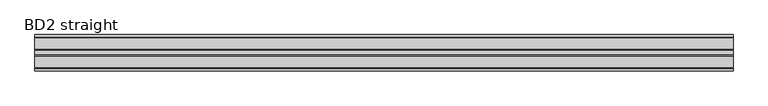
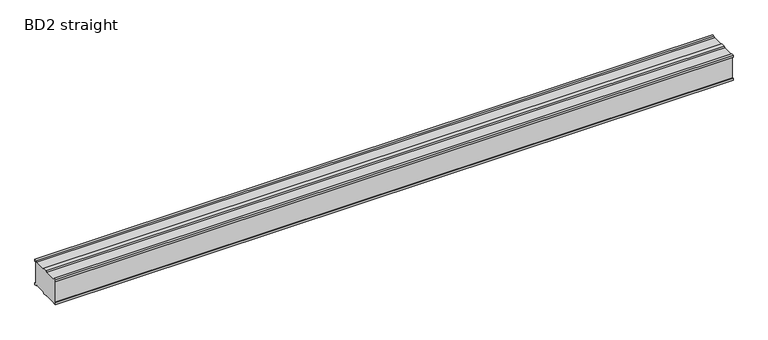
"""IFC4 building model written with IfcOpenShell, lengths in millimetres: proxy geometry, BD2 straight."""

from ifc_helpers import new_model, si_unit, frame, origin, place, context, project, spatial, polyline, outline, extrude, source, transform, mapped, element, save


def bd2_straight_57d4ccee(model_context):
    return source(origin(), model_context, "Body", "SweptSolid", [
        extrude(outline(polyline([(162.0, 116.0), (162.0, 10.0), (167.0, 10.0), (167.0, 0.0), (157.0, 0.0), (152.0, 5.0), (98.5, 5.0), (93.5, 0.0), (73.5, 0.0), (68.5, 5.0), (15.0, 5.0), (10.0, 0.0), (0.0, 0.0), (0.0, 10.0), (5.0, 10.0), (5.0, 116.0), (0.0, 116.0), (0.0, 126.0), (10.0, 126.0), (15.0, 121.0), (68.5, 121.0), (73.5, 126.0), (93.5, 126.0), (98.5, 121.0), (152.0, 121.0), (157.0, 126.0), (167.0, 126.0), (167.0, 116.0), (162.0, 116.0)])), frame((0.0, 0.0, 0.0), z_axis=(1.0, 0.0, 0.0), x_axis=(0.0, 1.0, 0.0)), (0.0, 0.0, 1.0), 3200.0),
    ])


if __name__ == "__main__":
    model = new_model("IFC4")
    model_context = context("Model", 3, world=origin())
    ifc_project = project(units=[si_unit("LENGTHUNIT", "METRE", prefix="MILLI")], contexts=[model_context])
    site = spatial("IfcSite", under=ifc_project)
    building = spatial("IfcBuilding", under=site)
    placement = place(None, origin())
    bd2_straight_shape = bd2_straight_57d4ccee(model_context)
    element("IfcBuildingElementProxy", 1, Name="BD2 straight", ObjectType="BD2 straight", at=placement, inside=building, context=model_context, shape_type="MappedRepresentation", body=[
        mapped(bd2_straight_shape, transform((0.0, 0.0, 0.0), x_axis=(1.0, 0.0, 0.0), y_axis=(0.0, 1.0, 0.0), z_axis=(0.0, 0.0, 1.0))),
    ])
    save(model, "model.ifc")
